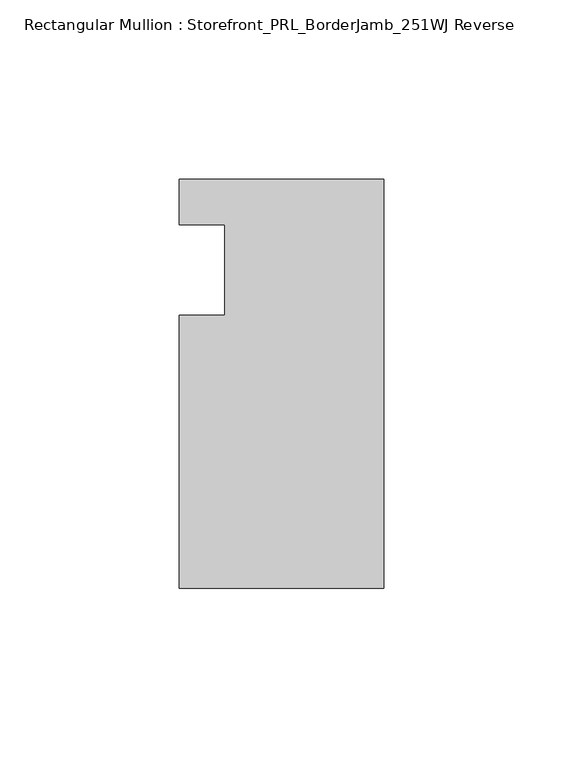
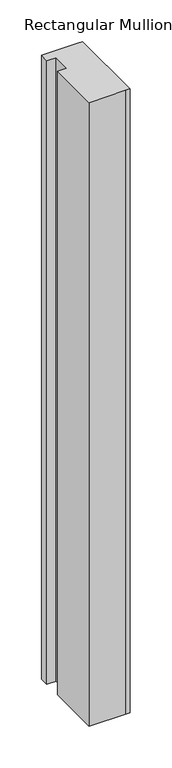
"""IFC4 building model written with IfcOpenShell, lengths in millimetres: member geometry, Rectangular Mullion : Storefront_PRL_BorderJamb_251WJ Reverse."""

from ifc_helpers import new_model, si_unit, frame, origin, place, context, project, spatial, polyline, outline, extrude, source, transform, mapped, element, save


def rectangular_mullion_storefront_prl_borderjamb_251wj_reverse_aac71fe5(model_context):
    return source(origin(), model_context, "Body", "SweptSolid", [
        extrude(outline(polyline([(-44.45, -12.7), (-44.45, 12.7), (-57.15, 12.7), (-57.15, 25.4), (-7.3958824, 25.4), (0.0, 25.4), (0.0, -88.9), (-6.35, -88.9), (-57.15, -88.9), (-57.15, -12.7), (-44.45, -12.7)])), frame((0.0, 0.0, -914.4), z_axis=(0.0, 0.0, 1.0), x_axis=(1.0, 0.0, 0.0)), (0.0, 0.0, 1.0), 914.4),
    ])


if __name__ == "__main__":
    model = new_model("IFC4")
    model_context = context("Model", 3, world=origin())
    ifc_project = project(units=[si_unit("LENGTHUNIT", "METRE", prefix="MILLI")], contexts=[model_context])
    site = spatial("IfcSite", under=ifc_project)
    building = spatial("IfcBuilding", under=site)
    placement = place(None, origin())
    rectangular_mullion_storefront_prl_borderjamb_251wj_reverse_shape = rectangular_mullion_storefront_prl_borderjamb_251wj_reverse_aac71fe5(model_context)
    element("IfcMember", 1, ObjectType="Rectangular Mullion : Storefront_PRL_BorderJamb_251WJ Reverse", at=placement, inside=building, context=model_context, shape_type="MappedRepresentation", body=[
        mapped(rectangular_mullion_storefront_prl_borderjamb_251wj_reverse_shape, transform((0.0, 0.0, 0.0), x_axis=(1.0, 0.0, 0.0), y_axis=(0.0, 1.0, 0.0), z_axis=(0.0, 0.0, 1.0))),
    ])
    save(model, "model.ifc")
